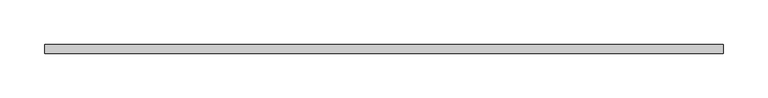
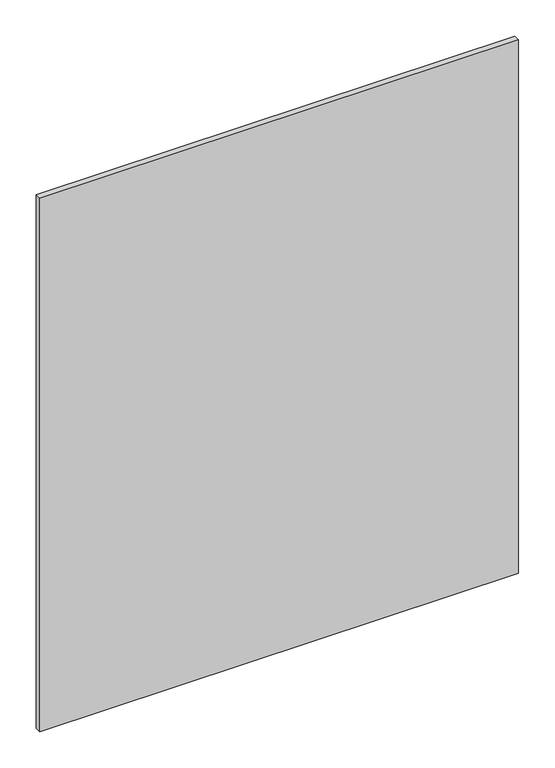
"""IFC4 building model written with IfcOpenShell, lengths in millimetres: plate geometry."""

from ifc_helpers import new_model, si_unit, origin, origin_with_axes, place, context, project, spatial, polyline, outline, extrude, source, transform, mapped, element, save


def plate_83f08a3e(model_context):
    return source(origin(), model_context, "Body", "SweptSolid", [
        extrude(outline(polyline([(380.0, -5.0), (-380.0, -5.0), (-380.0, 5.0), (380.0, 5.0), (380.0, -5.0)])), origin_with_axes(), (0.0, 0.0, 1.0), 895.0),
    ])


if __name__ == "__main__":
    model = new_model("IFC4")
    model_context = context("Model", 3, world=origin())
    ifc_project = project(units=[si_unit("LENGTHUNIT", "METRE", prefix="MILLI")], contexts=[model_context])
    site = spatial("IfcSite", under=ifc_project)
    building = spatial("IfcBuilding", under=site)
    placement = place(None, origin())
    plate_shape = plate_83f08a3e(model_context)
    element("IfcPlate", 1, at=placement, inside=building, context=model_context, shape_type="MappedRepresentation", body=[
        mapped(plate_shape, transform((0.0, 0.0, 0.0), x_axis=(1.0, 0.0, 0.0), y_axis=(0.0, 1.0, 0.0), z_axis=(0.0, 0.0, 1.0))),
    ])
    save(model, "model.ifc")
